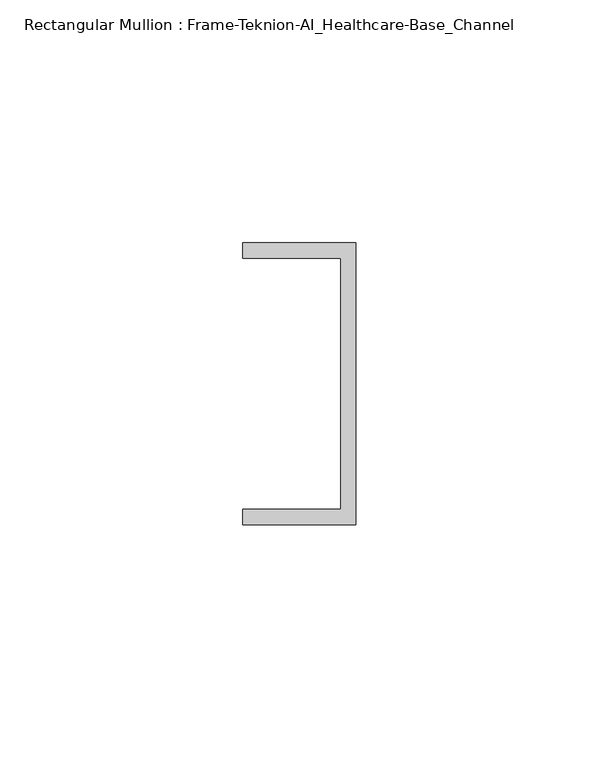
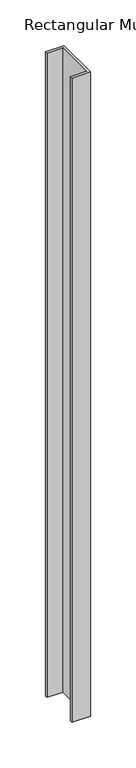
"""IFC4 building model written with IfcOpenShell, lengths in millimetres: member geometry, Rectangular Mullion : Frame-Teknion-AI_Healthcare-Base_Channel."""

from ifc_helpers import new_model, si_unit, frame, origin, place, context, project, spatial, polyline, outline, extrude, source, transform, mapped, element, save


def rectangular_mullion_frame_teknion_ai_healthcare_base_channel_47d955d4(model_context):
    return source(origin(), model_context, "Body", "SweptSolid", [
        extrude(outline(polyline([(0.0, 29.0214844), (0.0, -29.0214844), (-23.3164063, -29.0214844), (-23.3164063, -25.8464844), (-3.175, -25.8464844), (-3.175, 25.8464844), (-23.3164063, 25.8464844), (-23.3164063, 29.0214844), (0.0, 29.0214844)])), frame((0.0, 0.0, -861.4210245), z_axis=(0.0, 0.0, 1.0), x_axis=(1.0, 0.0, 0.0)), (0.0, 0.0, 1.0), 861.4210245),
    ])


if __name__ == "__main__":
    model = new_model("IFC4")
    model_context = context("Model", 3, world=origin())
    ifc_project = project(units=[si_unit("LENGTHUNIT", "METRE", prefix="MILLI")], contexts=[model_context])
    site = spatial("IfcSite", under=ifc_project)
    building = spatial("IfcBuilding", under=site)
    placement = place(None, origin())
    rectangular_mullion_frame_teknion_ai_healthcare_base_channel_shape = rectangular_mullion_frame_teknion_ai_healthcare_base_channel_47d955d4(model_context)
    element("IfcMember", 1, ObjectType="Rectangular Mullion : Frame-Teknion-AI_Healthcare-Base_Channel", at=placement, inside=building, context=model_context, shape_type="MappedRepresentation", body=[
        mapped(rectangular_mullion_frame_teknion_ai_healthcare_base_channel_shape, transform((0.0, 0.0, 0.0), x_axis=(1.0, 0.0, 0.0), y_axis=(0.0, 1.0, 0.0), z_axis=(0.0, 0.0, 1.0))),
    ])
    save(model, "model.ifc")
